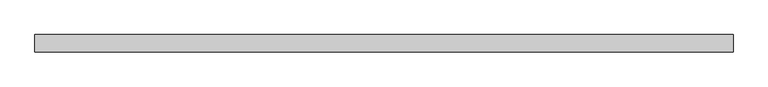
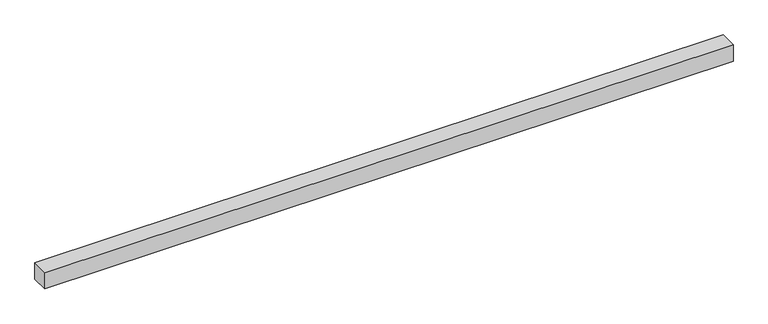
"""IFC4 building model written with IfcOpenShell, lengths in millimetres: beam geometry."""

from ifc_helpers import new_model, si_unit, frame, origin, place, context, project, spatial, polyline, outline, extrude, source, transform, mapped, element, save


def beam_621c7cfd(model_context):
    return source(origin(), model_context, "Body", "SweptSolid", [
        extrude(outline(polyline([(3481.1838739, 75.0), (3481.1838739, -75.0), (-2518.8161261, -75.0), (-2518.8161261, 75.0), (3481.1838739, 75.0)])), frame((0.0, 0.0, -75.0), z_axis=(0.0, 0.0, 1.0), x_axis=(1.0, 0.0, 0.0)), (0.0, 0.0, 1.0), 150.0),
    ])


if __name__ == "__main__":
    model = new_model("IFC4")
    model_context = context("Model", 3, world=origin())
    ifc_project = project(units=[si_unit("LENGTHUNIT", "METRE", prefix="MILLI")], contexts=[model_context])
    site = spatial("IfcSite", under=ifc_project)
    building = spatial("IfcBuilding", under=site)
    placement = place(None, origin())
    beam_shape = beam_621c7cfd(model_context)
    element("IfcBeam", 1, at=placement, inside=building, context=model_context, shape_type="MappedRepresentation", body=[
        mapped(beam_shape, transform((0.0, 0.0, 0.0), x_axis=(1.0, 0.0, 0.0), y_axis=(0.0, 1.0, 0.0), z_axis=(0.0, 0.0, 1.0))),
    ])
    save(model, "model.ifc")
